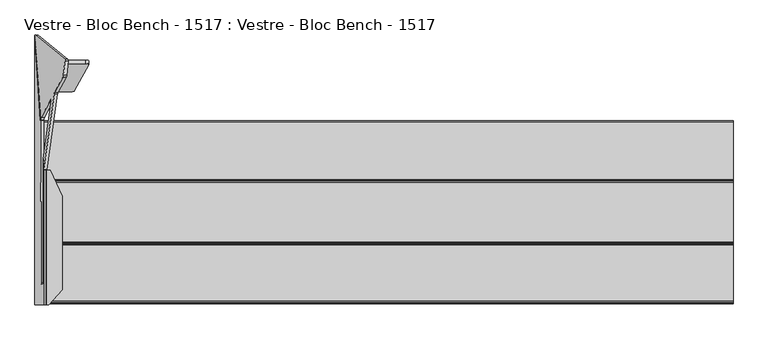
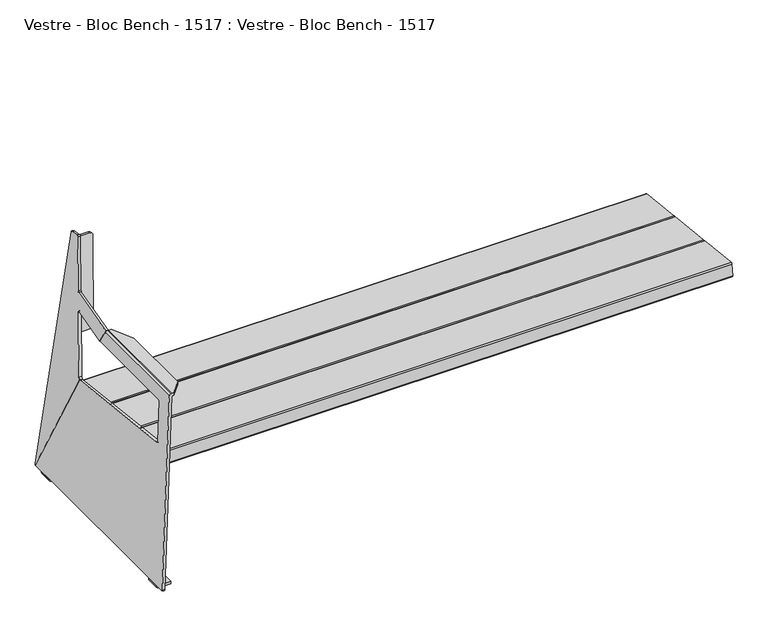
"""IFC4 building model written with IfcOpenShell, lengths in millimetres: furniture geometry, Vestre - Bloc Bench - 1517 : Vestre - Bloc Bench - 1517."""

from ifc_helpers import new_model, si_unit, point, frame, frame_2d, origin, place, context, project, spatial, polyline, circle_curve, ellipse_curve, trimmed, segment, composite_curve, outline, extrude, source, transform, mapped, element, save
from ifc_brep_helpers import plane_surface, cylinder_surface, revolved_surface, advanced_brep


def vestre_bloc_bench_1517_vestre_bloc_bench_1517_f0ae62cd(model_context):
    return source(origin(), model_context, "Body", "SolidModel", [
        extrude(outline(composite_curve([segment(polyline([(123.9432969, 403.4585045), (120.1847471, 369.0041334)]), True, "CONTINUOUS"), segment(trimmed(circle_curve(frame_2d((116.2083371, 369.4379111)), 4.0), [point((120.1847471, 369.0041334))], [point((115.7745594, 365.461501))], False, "CARTESIAN"), True, "CONTINUOUS"), segment(polyline([(115.7745594, 365.461501), (-27.2991975, 381.0690952)]), True, "CONTINUOUS"), segment(trimmed(circle_curve(frame_2d((-26.8654199, 385.0455052)), 4.0), [point((-27.2991975, 381.0690952))], [point((-30.84183, 385.4792828))], False, "CARTESIAN"), True, "CONTINUOUS"), segment(polyline([(-30.84183, 385.4792828), (-27.0830326, 419.9359236)]), True, "CONTINUOUS"), segment(trimmed(circle_curve(frame_2d((-23.1066225, 419.502146)), 4.0), [point((-27.0830326, 419.9359236))], [point((-22.6727818, 423.4785492))], False, "CARTESIAN"), True, "CONTINUOUS"), segment(polyline([(-22.6727818, 423.4785492), (120.4007276, 407.8686854)]), True, "CONTINUOUS"), segment(trimmed(circle_curve(frame_2d((119.9668869, 403.8922822)), 4.0), [point((120.4007276, 407.8686854))], [point((123.9432969, 403.4585045))], False, "CARTESIAN"), True, "CONTINUOUS")], self_intersect=False)), frame((-859.6028254, 0.0, 0.0), z_axis=(1.0, 0.0, 0.0), x_axis=(0.0, 1.0, 0.0)), (0.0, 0.0, 1.0), 1723.0598131),
        extrude(outline(composite_curve([segment(polyline([(-27.0830188, 419.9360498), (-30.8418226, 385.4793507)]), True, "CONTINUOUS"), segment(trimmed(circle_curve(frame_2d((-34.8182326, 385.9131283)), 4.0), [point((-30.8418226, 385.4793507))], [point((-35.2520103, 381.9367182))], False, "CARTESIAN"), True, "CONTINUOUS"), segment(polyline([(-35.2520103, 381.9367182), (-183.3923118, 398.0970103)]), True, "CONTINUOUS"), segment(trimmed(circle_curve(frame_2d((-182.9585341, 402.0734204)), 4.0), [point((-183.3923118, 398.0970103))], [point((-186.9349442, 402.507198))], False, "CARTESIAN"), True, "CONTINUOUS"), segment(polyline([(-186.9349442, 402.507198), (-183.1758841, 436.9662472)]), True, "CONTINUOUS"), segment(trimmed(circle_curve(frame_2d((-179.199474, 436.5324696)), 4.0), [point((-183.1758841, 436.9662472))], [point((-178.7656333, 440.5088728))], False, "CARTESIAN"), True, "CONTINUOUS"), segment(polyline([(-178.7656333, 440.5088728), (-30.6255882, 424.3462306)]), True, "CONTINUOUS"), segment(trimmed(circle_curve(frame_2d((-31.0594289, 420.3698274)), 4.0), [point((-30.6255882, 424.3462306))], [point((-27.0830188, 419.9360498))], False, "CARTESIAN"), True, "CONTINUOUS")], self_intersect=False)), frame((-859.6028254, 0.0, 0.0), z_axis=(1.0, 0.0, 0.0), x_axis=(0.0, 1.0, 0.0)), (0.0, 0.0, 1.0), 1723.0598131),
        extrude(outline(composite_curve([segment(polyline([(-183.1758703, 436.9663734), (-186.9349328, 402.507303)]), True, "CONTINUOUS"), segment(trimmed(circle_curve(frame_2d((-190.9113428, 402.9410807)), 4.0), [point((-186.9349328, 402.507303))], [point((-191.3451204, 398.9646706))], False, "CARTESIAN"), True, "CONTINUOUS"), segment(polyline([(-191.3451204, 398.9646706), (-330.5004458, 414.1448119)]), True, "CONTINUOUS"), segment(trimmed(circle_curve(frame_2d((-330.0666682, 418.1212219)), 4.0), [point((-330.5004458, 414.1448119))], [point((-334.0430783, 418.5549996))], False, "CARTESIAN"), True, "CONTINUOUS"), segment(polyline([(-334.0430783, 418.5549996), (-330.283775, 453.0162774)]), True, "CONTINUOUS"), segment(trimmed(circle_curve(frame_2d((-326.307365, 452.5824998)), 4.0), [point((-330.283775, 453.0162774))], [point((-325.8735242, 456.558903))], False, "CARTESIAN"), True, "CONTINUOUS"), segment(polyline([(-325.8735242, 456.558903), (-186.7184397, 441.3765542)]), True, "CONTINUOUS"), segment(trimmed(circle_curve(frame_2d((-187.1522804, 437.400151)), 4.0), [point((-186.7184397, 441.3765542))], [point((-183.1758703, 436.9663734))], False, "CARTESIAN"), True, "CONTINUOUS")], self_intersect=False)), frame((-859.6028254, 0.0, 0.0), z_axis=(1.0, 0.0, 0.0), x_axis=(0.0, 1.0, 0.0)), (0.0, 0.0, 1.0), 1723.0598131),
        advanced_brep(
        [(-880.8633489, 337.9713039, 14.8944279), (-881.5280215, 336.1005897, 11.2206695), (-867.61676, 124.5422214, 409.5831251), (-867.5760922, 124.8590494, 409.5484177), (-866.2037222, 131.2504543, 413.8911008), (-840.7909312, 178.4134646, 585.5886209), (-840.7791117, 174.5518534, 590.6481205), (-861.2994828, 28.470929, 590.4844823), (-859.5577941, 1.98384, 640.3594265), (-833.1217155, 190.2995977, 640.4138722), (-832.2804167, 194.0587936, 643.2798026), (-811.1014693, 233.3654515, 786.3705641), (-810.120629, 238.2446052, 789.0752934), (-806.2223905, 274.267721, 778.499374), (-806.2060941, 277.1577, 774.9426086), (-872.9871313, 336.8658767, 14.0323223), (-798.3298764, 276.0522727, 774.080503), (-798.3461729, 273.1622937, 777.6372684), (-802.2444113, 237.139178, 788.2131877), (-803.2252516, 232.2600242, 785.5084585), (-824.4041991, 192.9533663, 642.417697), (-825.2454978, 189.1941704, 639.5517665), (-851.6815764, 0.8784127, 639.4973209), (-853.3932206, 26.9085927, 590.4827322), (-832.653384, 174.5518534, 590.6481205), (-832.6652035, 178.4134646, 585.5886209), (-858.0779945, 131.2504543, 413.8911008), (-859.4503645, 124.8590494, 409.5484177), (-859.704087, 122.8823921, 409.7649535), (-873.6518039, 334.9951625, 10.3585639), (-800.2290396, 275.0977695, 757.9536062), (-837.8982285, 205.1850931, 503.4518959), (-838.8596981, 196.4631475, 505.8515241), (-801.1905091, 266.3758239, 760.3532344), (-755.0440225, 275.0158862, 757.8881152), (-747.1427984, 272.5788357, 749.0639533), (-783.301588, 206.9046912, 509.9877088), (-791.2328587, 205.1005271, 503.3842593), (-791.2451915, 196.3768615, 505.7825119), (-783.3139208, 198.1810256, 512.3859614), (-747.1551312, 263.8551701, 751.4622058), (-755.0563553, 266.2922205, 760.2863677)],
        [
            (0, 1, circle_curve(frame((-881.4454916, 334.025159, 14.6358678), z_axis=(-0.9845272064646956, 0.13817840671662618, 0.10776320173453148), x_axis=(-0.10809843818608313, 0.005098251508800457, -0.9941271224009949)), 3.9972244)),
            (1, 2),
            (2, 3),
            (3, 4, ellipse_curve(frame((-866.8370673, 125.5075832, 415.4685906), z_axis=(0.9845272064646956, -0.1381784067166262, -0.10776320173453155), x_axis=(0.1752317885853553, 0.7763454442639396, 0.6054598016712618)), 6.049187, 5.9555892)),
            (4, 5),
            (5, 6, ellipse_curve(frame((-841.2163098, 174.5563342, 586.648123), z_axis=(0.9845272064646956, -0.1381784067166262, -0.10776320173453155), x_axis=(0.1752317885853553, 0.7763454442639396, 0.6054598016712618)), 4.0628639, 4.0)),
            (6, 7),
            (7, 8),
            (8, 9),
            (9, 10, circle_curve(frame((-832.6950066, 190.2385459, 644.3905783), z_axis=(0.9845272064646956, -0.13817840671662618, -0.10776320173453148), x_axis=(-0.10809843818608313, 0.005098251508800457, -0.9941271224009949)), 4.0)),
            (10, 11),
            (11, 12, circle_curve(frame((-810.6868794, 237.1856992, 785.2597883), z_axis=(-0.9845272064646956, 0.13817840671662618, 0.10776320173453148), x_axis=(-0.10809843818608313, 0.005098251508800457, -0.9941271224009949)), 4.0)),
            (12, 13),
            (13, 14, circle_curve(frame((-806.788641, 273.2088149, 774.683869), z_axis=(-0.9845272064646956, 0.13817840671662618, 0.10776320173453148), x_axis=(-0.10809843818608313, 0.005098251508800457, -0.9941271224009949)), 4.0)),
            (14, 0),
            (15, 16),
            (16, 17, circle_curve(frame((-798.9124233, 272.1033877, 773.8217633), z_axis=(0.9845272064646956, -0.13817840671662618, -0.10776320173453148), x_axis=(-0.10809843818608313, 0.005098251508800457, -0.9941271224009949)), 4.0)),
            (17, 18),
            (18, 19, circle_curve(frame((-802.8106618, 236.0802719, 784.3976827), z_axis=(0.9845272064646956, -0.13817840671662618, -0.10776320173453148), x_axis=(-0.10809843818608313, 0.005098251508800457, -0.9941271224009949)), 4.0)),
            (19, 20),
            (20, 21, circle_curve(frame((-824.8187889, 189.1331186, 643.5284727), z_axis=(-0.9845272064646956, 0.13817840671662618, 0.10776320173453148), x_axis=(-0.10809843818608313, 0.005098251508800457, -0.9941271224009949)), 4.0)),
            (21, 22),
            (22, 23),
            (23, 24),
            (24, 25, ellipse_curve(frame((-833.0905821, 174.5563342, 586.648123), z_axis=(-0.9845272064646956, 0.1381784067166262, 0.10776320173453155), x_axis=(0.1752317885853553, 0.7763454442639396, 0.6054598016712618)), 4.0628639, 4.0)),
            (25, 26),
            (26, 27, ellipse_curve(frame((-858.7113396, 125.5075832, 415.4685906), z_axis=(-0.9845272064646956, 0.1381784067166262, 0.10776320173453155), x_axis=(0.1752317885853553, 0.7763454442639396, 0.6054598016712618)), 6.049187, 5.9555892)),
            (27, 28),
            (28, 29),
            (29, 15, circle_curve(frame((-873.5692739, 332.9197317, 13.7737622), z_axis=(0.9845272064646956, -0.13817840671662618, -0.10776320173453148), x_axis=(-0.10809843818608313, 0.005098251508800457, -0.9941271224009949)), 3.9972244)),
            (30, 31),
            (31, 32),
            (32, 33),
            (33, 30),
            (13, 17),
            (16, 14),
            (15, 0),
            (29, 1),
            (28, 2),
            (22, 8),
            (7, 23),
            (34, 35, circle_curve(frame((-755.0590458, 272.8952788, 750.1743095), z_axis=(0.0013631459484884437, 0.9642258427672697, -0.2650786033856214), x_axis=(0.1443145567522505, 0.26211427827888556, 0.9541852093968657)), 8.0)),
            (35, 36),
            (36, 37, circle_curve(frame((-791.2178354, 207.2211344, 511.098065), z_axis=(0.0013631459484884437, 0.9642258427672697, -0.2650786033856214), x_axis=(0.1443145567522505, 0.26211427827888556, 0.9541852093968657)), 8.0)),
            (37, 31),
            (30, 34),
            (38, 39, circle_curve(frame((-791.2301682, 198.4974688, 513.4963176), z_axis=(-0.0013631459484884437, -0.9642258427672697, 0.2650786033856214), x_axis=(0.1443145567522505, 0.26211427827888556, 0.9541852093968657)), 8.0)),
            (39, 40),
            (40, 41, circle_curve(frame((-755.0713786, 264.1716132, 752.572562), z_axis=(-0.0013631459484884437, -0.9642258427672697, 0.2650786033856214), x_axis=(0.1443145567522505, 0.26211427827888556, 0.9541852093968657)), 8.0)),
            (41, 33),
            (32, 38),
            (34, 41),
            (40, 35),
            (39, 36),
            (38, 37),
            (21, 9),
            (20, 10),
            (19, 11),
            (18, 12),
            (5, 25),
            (24, 6),
            (27, 3),
            (26, 4),
        ],
        [
            plane_surface(frame((-881.8775853, 334.0455378, 10.6621186), z_axis=(-0.9845272064646956, 0.1381784067166262, 0.10776320173453155), x_axis=(-0.13791630575299013, -0.9903942324896726, 0.009917502641294942))),
            plane_surface(frame((-874.0013676, 332.9401106, 9.800013), z_axis=(0.9845272064646956, -0.1381784067166262, -0.10776320173453155), x_axis=(0.13791630575299013, 0.9903942324896726, -0.009917502641294942))),
            cylinder_surface(frame((-798.9124233, 272.1033877, 773.8217633), z_axis=(-0.9845272064646956, 0.13817840671662618, 0.10776320173453148), x_axis=(-0.10809843818608313, 0.005098251508800457, -0.9941271224009949)), 4.0),
            plane_surface(frame((-806.2060941, 277.1577, 774.9426086), z_axis=(0.14563671969423853, 0.9872212562883773, 0.06468490557386689), x_axis=(0.9845272064646949, -0.13817840671662657, -0.10776320173453655))),
            cylinder_surface(frame((-873.5692739, 332.9197317, 13.7737622), z_axis=(-0.9845272064646956, 0.13817840671662618, 0.10776320173453148), x_axis=(-0.10809843818608313, 0.005098251508800457, -0.9941271224009949)), 3.9972244),
            plane_surface(frame((-881.5280215, 336.1005897, 11.2206695), z_axis=(-0.17249891043919563, -0.8724250405319159, -0.45729495355861444), x_axis=(0.9845272064646962, -0.1381784067166225, -0.10776320173453138))),
            plane_surface(frame((-753.9045293, 274.9921931, 757.8077911), z_axis=(0.0013631459484884229, 0.9642258427672699, -0.2650786033856216), x_axis=(0.9895309245003537, -0.03955539485439854, -0.13879452509154705))),
            plane_surface(frame((-753.9168621, 266.2685275, 760.2060437), z_axis=(-0.0013631459484884229, -0.9642258427672699, 0.2650786033856216), x_axis=(-0.9895309245003537, 0.03955539485439854, 0.13879452509154705))),
            cylinder_surface(frame((-755.0713786, 264.1716132, 752.572562), z_axis=(0.0013631459484884437, 0.9642258427672697, -0.2650786033856214), x_axis=(0.1443145567522505, 0.26211427827888556, 0.9541852093968657)), 8.0),
            plane_surface(frame((-747.1427984, 272.5788357, 749.0639533), z_axis=(0.9895309245003534, -0.039555394854398324, -0.13879452509154833), x_axis=(-0.001363145948487987, -0.9642258427672699, 0.2650786033856207))),
            cylinder_surface(frame((-791.2301682, 198.4974688, 513.4963176), z_axis=(0.0013631459484884437, 0.9642258427672697, -0.2650786033856214), x_axis=(0.1443145567522505, 0.26211427827888556, 0.9541852093968657)), 8.0),
            plane_surface(frame((-791.2328587, 205.1005271, 503.3842593), z_axis=(-0.0018779099002757267, -0.2650759139656631, -0.9642257169821155), x_axis=(-0.001363145948487987, -0.9642258427672699, 0.2650786033856207))),
            plane_surface(frame((-803.1542615, 275.1030705, 757.957846), z_axis=(0.0018779099002687964, 0.2650759139656631, 0.9642257169821156), x_axis=(-0.001363145948487987, -0.9642258427672699, 0.2650786033856207))),
            plane_surface(frame((-859.5577941, 1.98384, 640.3594265), z_axis=(0.10667723092490322, -0.015262962519211895, 0.9941765488972932), x_axis=(0.9845272064646956, -0.13817840671662243, -0.10776320173453661))),
            revolved_surface(polyline([(-825.251182622492, 189.15351160178926, 639.5519642070847), (-833.1274003560839, 190.25893886701334, 640.4140698299226)]), (-824.8187889, 189.1331186, 643.5284727), (0.9845272064646956, -0.13817840671662618, -0.10776320173453148)),
            plane_surface(frame((-832.2804167, 194.0587936, 643.2798026), z_axis=(-0.10364746347884374, -0.955061925655032, 0.2776939348968645), x_axis=(0.9845272064646949, -0.13817840671662657, -0.10776320173453655))),
            cylinder_surface(frame((-802.8106618, 236.0802719, 784.3976827), z_axis=(-0.9845272064646956, 0.13817840671662618, 0.10776320173453148), x_axis=(-0.10809843818608313, 0.005098251508800457, -0.9941271224009949)), 4.0),
            plane_surface(frame((-810.120629, 238.2446052, 789.0752934), z_axis=(0.14156261468824688, 0.26472650457534325, 0.9538762518785904), x_axis=(0.9845272064646956, -0.13817840671662243, -0.10776320173453661))),
            revolved_surface(polyline([(-832.3786391920241, 170.5563342, 586.648123), (-841.9282527079758, 170.5563342, 586.648123)]), (-919.9232064, 174.5563342, 586.648123), (1.0, 0.0, 0.0)),
            plane_surface(frame((-812.6404131, 174.5518534, 590.6481205), z_axis=(0.0, 0.0011201877232388624, -0.9999993725895355), x_axis=(-1.0, 0.0, 0.0))),
            plane_surface(frame((-812.6404131, -281.1025506, 454.0200604), z_axis=(0.0, 0.10889498268372885, 0.9940532595119391), x_axis=(-1.0, 0.0, 0.0))),
            revolved_surface(polyline([(-857.6513297425026, 119.551994, 415.4685906), (-867.8970771574973, 119.551994, 415.4685906)]), (-919.9232064, 125.5075832, 415.4685906), (1.0, 0.0, 0.0)),
            plane_surface(frame((-812.6404131, 131.2504543, 413.8911008), z_axis=(0.0, -0.9642826121585462, 0.2648755252730816), x_axis=(-1.0, 0.0, 0.0))),
        ],
        [
            (0, [[1, 2, 3, 4, 5, 6, 7, 8, 9, 10, 11, 12, 13, 14, 15]]),
            (1, [[16, 17, 18, 19, 20, 21, 22, 23, 24, 25, 26, 27, 28, 29, 30], [31, 32, 33, 34]]),
            (2, [[-14, 35, -17, 36]]),
            (3, [[-15, -36, -16, 37]]),
            (4, [[-1, -37, -30, 38]]),
            (5, [[-38, -29, 39, -2]]),
            (5, [[40, -8, 41, -23]]),
            (6, [[42, 43, 44, 45, -31, 46]]),
            (7, [[47, 48, 49, 50, -33, 51]]),
            (8, [[-42, 52, -49, 53]]),
            (9, [[-43, -53, -48, 54]]),
            (10, [[-44, -54, -47, 55]]),
            (11, [[-55, -51, -32, -45]]),
            (12, [[-52, -46, -34, -50]]),
            (13, [[-9, -40, -22, 56]]),
            (14, [[-10, -56, -21, 57]]),
            (15, [[-11, -57, -20, 58]]),
            (16, [[-12, -58, -19, 59]]),
            (17, [[-13, -59, -18, -35]]),
            (18, [[60, -25, 61, -6]]),
            (19, [[-61, -24, -41, -7]]),
            (20, [[62, -3, -39, -28]]),
            (21, [[-62, -27, 63, -4]]),
            (22, [[-60, -5, -63, -26]]),
        ],
    ),
        advanced_brep(
        [(-881.4138659, 336.0793859, 11.3539925), (-881.4516113, 333.3438949, 10.2731042), (-881.4516113, 303.3438949, 10.2731042), (-881.4516113, 263.3438949, 10.2731042), (-881.4516113, -263.3438949, 10.2731042), (-881.4516113, -303.3438949, 10.2731042), (-881.4516113, -332.3224978, 10.2731042), (-881.3120133, -336.3224978, 14.2706676), (-859.6494877, -336.3224978, 634.6042367), (-859.6494877, 0.0, 634.6042367), (-859.8164077, 0.0, 629.8242748), (-859.8164077, 7.626776, 629.8242748), (-861.1901816, 28.5190326, 590.4845362), (-861.2022765, -280.671368, 590.1381847), (-861.3419594, -284.6668873, 586.1381898), (-865.8167736, -284.6669706, 457.9962761), (-865.9556261, -281.1025506, 454.0200604), (-867.5075955, 124.5938136, 409.5774734), (-873.3168867, -336.3224978, 13.9914716), (-873.4564847, -332.3224978, 9.9939083), (-873.4564847, -303.3438949, 9.9939083), (-873.4886988, -303.3438949, 9.0714168), (-873.4886988, -263.3438949, 9.0714168), (-873.4564847, -263.3438949, 9.9939083), (-873.4564847, 263.3438949, 9.9939083), (-873.4886988, 263.3438949, 9.0714168), (-873.4886988, 303.3438949, 9.0714168), (-873.4564847, 303.3438949, 9.9939083), (-873.4564847, 333.3438949, 9.9939083), (-873.4187392, 336.0793859, 11.0747965), (-859.5021169, 124.4363813, 409.5947195), (-857.9507498, -281.1025506, 454.0200604), (-857.8118973, -284.6669706, 457.9962761), (-853.337083, -284.6668873, 586.1381898), (-853.1974001, -280.671368, 590.1381847), (-853.1853111, 28.3708474, 590.4843702), (-851.8212811, 7.626776, 629.5450788), (-851.8212811, 0.0, 629.5450788), (-851.7778593, 0.0, 630.7885173), (-851.7778593, -336.3224978, 630.7885173), (-850.2766357, -336.3224978, 632.2382321), (-846.5946295, -336.3224978, 632.2382321), (-846.5946295, -336.3224978, 640.3596516), (-851.4436279, -336.3224978, 640.3596516), (-853.6895812, -336.3224978, 640.3596516), (-872.4540437, -303.3438949, 8.0), (-881.4516113, -303.3438949, 8.2703475), (-873.5140122, -303.3438949, 0.0), (-835.810356, -303.3438949, 0.0), (-835.810356, -303.3438949, 8.0), (-872.4540437, -263.3438949, 8.0), (-835.810356, -263.3438949, 8.0), (-835.810356, -263.3438949, 0.0), (-873.5140122, -263.3438949, 0.0), (-881.4516113, -263.3438949, 8.2703475), (-872.4540437, 303.3438949, 8.0), (-835.810356, 303.3438949, 8.0), (-835.810356, 303.3438949, 0.0), (-873.5140122, 303.3438949, 0.0), (-881.4516113, 303.3438949, 8.2703475), (-872.4540437, 263.3438949, 8.0), (-881.4516113, 263.3438949, 8.2703475), (-873.5140122, 263.3438949, 0.0), (-835.810356, 263.3438949, 0.0), (-835.810356, 263.3438949, 8.0), (-853.6895812, 0.0, 640.3596516), (-851.4436279, 0.0, 640.3596516), (-842.6377771, 0.0, 640.3596516), (-842.6377771, 0.0, 632.2382321), (-850.2766357, 0.0, 632.2382321), (-812.6404131, -64.9029098, 632.2382321), (-812.6404131, -298.6125202, 632.2382321), (-812.6404131, -64.9029098, 640.3596516), (-812.6404131, -298.6125202, 640.3596516)],
        [
            (0, 1, circle_curve(frame((-881.3120088, 333.3438949, 14.2707962), z_axis=(-0.9993908270190959, 0.0, 0.0348994967025008), x_axis=(-0.0348994967025008, 0.0, -0.9993908270190959)), 4.0001287)),
            (1, 2),
            (2, 3),
            (3, 4),
            (4, 5),
            (5, 6),
            (6, 7, circle_curve(frame((-881.3120133, -332.3224978, 14.2706676), z_axis=(-0.9993908270190959, 0.0, 0.0348994967025008), x_axis=(-0.0348994967025008, 0.0, -0.9993908270190959)), 4.0)),
            (7, 8),
            (8, 9),
            (9, 10),
            (10, 11),
            (11, 12),
            (12, 13),
            (13, 14, ellipse_curve(frame((-861.3419595, -280.6668873, 586.1381872), z_axis=(0.9993908270190959, 0.0, -0.0348994967025008), x_axis=(0.03489949670249232, 0.0, 0.9993908270190961)), 4.0024382, 4.0)),
            (14, 15),
            (15, 16, ellipse_curve(frame((-865.8167737, -280.6669706, 457.9962735), z_axis=(0.9993908270190959, 0.0, -0.0348994967025008), x_axis=(0.03489949670249232, 0.0, 0.9993908270190961)), 4.0024382, 4.0)),
            (16, 17),
            (17, 0),
            (18, 19, circle_curve(frame((-873.3168867, -332.3224978, 13.9914716), z_axis=(0.9993908270190959, 0.0, -0.0348994967025008), x_axis=(-0.0348994967025008, 0.0, -0.9993908270190959)), 4.0)),
            (19, 20),
            (20, 21),
            (21, 22),
            (22, 23),
            (23, 24),
            (24, 25),
            (25, 26),
            (26, 27),
            (27, 28),
            (28, 29, circle_curve(frame((-873.3168822, 333.3438949, 13.9916002), z_axis=(0.9993908270190959, 0.0, -0.0348994967025008), x_axis=(-0.0348994967025008, 0.0, -0.9993908270190959)), 4.0001287)),
            (29, 30),
            (30, 31),
            (31, 32, ellipse_curve(frame((-857.8118974, -280.6669706, 457.9962735), z_axis=(-0.9993908270190959, 0.0, 0.0348994967025008), x_axis=(0.03489949670249232, 0.0, 0.9993908270190961)), 4.0024382, 4.0)),
            (32, 33),
            (33, 34, ellipse_curve(frame((-853.3370831, -280.6668873, 586.1381872), z_axis=(-0.9993908270190959, 0.0, 0.0348994967025008), x_axis=(0.03489949670249232, 0.0, 0.9993908270190961)), 4.0024382, 4.0)),
            (34, 35),
            (35, 36),
            (36, 37),
            (37, 38),
            (38, 39),
            (39, 18),
            (29, 0),
            (17, 30),
            (11, 36),
            (35, 12),
            (28, 1),
            (27, 2),
            (19, 6),
            (5, 20),
            (23, 4),
            (3, 24),
            (18, 7),
            (39, 40, circle_curve(frame((-850.2766357, -336.3224978, 630.7360934), z_axis=(0.0, 1.0, 0.0), x_axis=(1.0, 0.0, 0.0)), 1.5021387)),
            (40, 41),
            (41, 42),
            (42, 43),
            (43, 44),
            (44, 8, circle_curve(frame((-853.6895812, -336.3224978, 634.3961122), z_axis=(0.0, -1.0, 0.0), x_axis=(1.0, 0.0, 0.0)), 5.9635394)),
            (45, 21, circle_curve(frame((-872.4540437, -303.3438949, 9.0352858), z_axis=(0.0, 1.0, 0.0), x_axis=(1.0, 0.0, 0.0)), 1.0352858)),
            (5, 46),
            (46, 47, circle_curve(frame((-873.1742893, -303.3438949, 8.2703475), z_axis=(0.0, -1.0, 0.0), x_axis=(1.0, 0.0, 0.0)), 8.277322)),
            (47, 48),
            (48, 49),
            (49, 45),
            (50, 51),
            (51, 52),
            (52, 53),
            (53, 54, circle_curve(frame((-873.1742893, -263.3438949, 8.2703475), z_axis=(0.0, 1.0, 0.0), x_axis=(1.0, 0.0, 0.0)), 8.277322)),
            (54, 4),
            (22, 50, circle_curve(frame((-872.4540437, -263.3438949, 9.0352858), z_axis=(0.0, -1.0, 0.0), x_axis=(1.0, 0.0, 0.0)), 1.0352858)),
            (45, 50),
            (47, 53),
            (52, 48),
            (51, 49),
            (54, 46),
            (55, 56),
            (56, 57),
            (57, 58),
            (58, 59, circle_curve(frame((-873.1742893, 303.3438949, 8.2703475), z_axis=(0.0, 1.0, 0.0), x_axis=(1.0, 0.0, 0.0)), 8.277322)),
            (59, 2),
            (26, 55, circle_curve(frame((-872.4540437, 303.3438949, 9.0352858), z_axis=(0.0, -1.0, 0.0), x_axis=(1.0, 0.0, 0.0)), 1.0352858)),
            (60, 25, circle_curve(frame((-872.4540437, 263.3438949, 9.0352858), z_axis=(0.0, 1.0, 0.0), x_axis=(1.0, 0.0, 0.0)), 1.0352858)),
            (3, 61),
            (61, 62, circle_curve(frame((-873.1742893, 263.3438949, 8.2703475), z_axis=(0.0, -1.0, 0.0), x_axis=(1.0, 0.0, 0.0)), 8.277322)),
            (62, 63),
            (63, 64),
            (64, 60),
            (60, 55),
            (57, 63),
            (62, 58),
            (56, 64),
            (59, 61),
            (10, 37),
            (34, 13),
            (33, 14),
            (32, 15),
            (31, 16),
            (9, 65, circle_curve(frame((-853.6895812, 0.0, 634.3961122), z_axis=(0.0, 1.0, 0.0), x_axis=(1.0, 0.0, 0.0)), 5.9635394)),
            (65, 66),
            (66, 67),
            (67, 68),
            (68, 69),
            (69, 38, circle_curve(frame((-850.2766357, 0.0, 630.7360934), z_axis=(0.0, -1.0, 0.0), x_axis=(1.0, 0.0, 0.0)), 1.5021387)),
            (40, 69),
            (68, 70),
            (70, 71),
            (71, 41),
            (70, 72),
            (72, 73),
            (73, 71),
            (66, 43),
            (42, 73),
            (72, 67),
            (65, 44),
        ],
        [
            plane_surface(frame((-859.8164077, 7.626776, 629.8242748), z_axis=(-0.9993908270190959, 0.0, 0.0348994967025008), x_axis=(0.0, 1.0, 0.0))),
            plane_surface(frame((-851.8212811, 7.626776, 629.5450788), z_axis=(0.9993908270190959, 0.0, -0.0348994967025008), x_axis=(0.0, -1.0, 0.0))),
            plane_surface(frame((-859.8164077, 7.626776, 629.8242748), z_axis=(0.016361236819831454, 0.883298976901068, 0.46852452159439006), x_axis=(0.9993908270190955, 0.0, -0.034899496702506035))),
            cylinder_surface(frame((-873.3168822, 333.3438949, 13.9916002), z_axis=(-0.9993908270190959, 0.0, 0.0348994967025008), x_axis=(-0.0348994967025008, 0.0, -0.9993908270190959)), 4.0001287),
            plane_surface(frame((-881.4516113, 333.3438949, 10.2731042), z_axis=(-0.03489949670248914, 0.0, -0.9993908270190962), x_axis=(0.9993908270190962, 0.0, -0.03489949670248914))),
            cylinder_surface(frame((-873.3168867, -332.3224978, 13.9914716), z_axis=(-0.9993908270190959, 0.0, 0.0348994967025008), x_axis=(-0.0348994967025008, 0.0, -0.9993908270190959)), 4.0),
            plane_surface(frame((-881.3120133, -336.3224978, 14.2706676), z_axis=(0.0, -1.0, 0.0), x_axis=(0.9993908270190955, 0.0, -0.034899496702506035))),
            plane_surface(frame((-871.4187578, -303.3438949, 9.0352858), z_axis=(0.0, -1.0, 0.0), x_axis=(0.0, 0.0, -1.0))),
            plane_surface(frame((-871.4187578, -263.3438949, 9.0352858), z_axis=(0.0, 1.0, 0.0), x_axis=(0.0, 0.0, 1.0))),
            revolved_surface(polyline([(-871.4187579000001, -263.3438949, 9.0352858), (-871.4187579000001, -303.3438949, 9.0352858)]), (-872.4540437, -263.3438949, 9.0352858), (0.0, 1.0, 0.0)),
            plane_surface(frame((-873.5140122, -303.3438949, 0.0), z_axis=(0.0, 0.0, -1.0), x_axis=(0.0, 1.0, 0.0))),
            plane_surface(frame((-835.810356, -303.3438949, 0.0), z_axis=(1.0, 0.0, 0.0), x_axis=(0.0, 1.0, 0.0))),
            plane_surface(frame((-835.810356, -303.3438949, 8.0), z_axis=(0.0, 0.0, 1.0), x_axis=(0.0, 1.0, 0.0))),
            plane_surface(frame((-881.4516113, -303.3438949, 10.2731042), z_axis=(-1.0, 0.0, 0.0), x_axis=(0.0, 1.0, 0.0))),
            cylinder_surface(frame((-873.1742893, -263.3438949, 8.2703475), z_axis=(0.0, -1.0, 0.0), x_axis=(1.0, 0.0, 0.0)), 8.277322),
            plane_surface(frame((-835.810356, 303.3438949, 8.0), z_axis=(0.0, 1.0, 0.0), x_axis=(1.0, 0.0, 0.0))),
            plane_surface(frame((-835.810356, 263.3438949, 8.0), z_axis=(0.0, -1.0, 0.0), x_axis=(-1.0, 0.0, 0.0))),
            revolved_surface(polyline([(-871.4187579000001, 263.3438949, 9.0352858), (-871.4187579000001, 303.3438949, 9.0352858)]), (-872.4540437, 263.3438949, 9.0352858), (0.0, -1.0, 0.0)),
            plane_surface(frame((-835.810356, 303.3438949, 0.0), z_axis=(0.0, 0.0, -1.0), x_axis=(0.0, -1.0, 0.0))),
            plane_surface(frame((-835.810356, 303.3438949, 8.0), z_axis=(1.0, 0.0, 0.0), x_axis=(0.0, -1.0, 0.0))),
            plane_surface(frame((-872.4540437, 303.3438949, 8.0), z_axis=(0.0, 0.0, 1.0), x_axis=(0.0, -1.0, 0.0))),
            plane_surface(frame((-881.4516113, 303.3438949, 8.2703475), z_axis=(-1.0, 0.0, 0.0), x_axis=(0.0, -1.0, 0.0))),
            cylinder_surface(frame((-873.1742893, 263.3438949, 8.2703475), z_axis=(0.0, 1.0, 0.0), x_axis=(1.0, 0.0, 0.0)), 8.277322),
            plane_surface(frame((-859.8164077, -336.3224978, 629.8242748), z_axis=(0.034899496702506035, 0.0, 0.9993908270190955), x_axis=(0.9993908270190955, 0.0, -0.034899496702506035))),
            plane_surface(frame((-812.6404131, 174.5518534, 590.6481205), z_axis=(0.0, 0.0011201877232388624, -0.9999993725895355), x_axis=(-1.0, 0.0, 0.0))),
            revolved_surface(polyline([(-853.1974000212372, -284.6668873, 586.1381872), (-861.4816425787628, -284.6668873, 586.1381872)]), (-919.9232064, -280.6668873, 586.1381872), (1.0, 0.0, 0.0)),
            plane_surface(frame((-812.6404131, -284.6668873, 586.1381898), z_axis=(0.0, 0.9999999999997885, -6.504329964730784e-07), x_axis=(-1.0, 0.0, 0.0))),
            revolved_surface(polyline([(-857.6722143212372, -284.6669706, 457.9962735), (-865.9564567787628, -284.6669706, 457.9962735)]), (-919.9232064, -280.6669706, 457.9962735), (1.0, 0.0, 0.0)),
            plane_surface(frame((-812.6404131, -281.1025506, 454.0200604), z_axis=(0.0, 0.10889498268372885, 0.9940532595119391), x_axis=(-1.0, 0.0, 0.0))),
            plane_surface(frame((-859.8862566, 0.0, 627.8240627), z_axis=(0.0, 1.0, 0.0), x_axis=(0.03489949670249125, 0.0, 0.9993908270190961))),
            plane_surface(frame((-850.2766357, -336.3224978, 632.2382321), z_axis=(0.0, 0.0, -1.0), x_axis=(0.0, 1.0, 0.0))),
            plane_surface(frame((-812.6404131, -336.3224978, 632.2382321), z_axis=(1.0, 0.0, 0.0), x_axis=(0.0, 1.0, 0.0))),
            plane_surface(frame((-812.6404131, -336.3224978, 640.3596516), z_axis=(0.0, 0.0, 1.0), x_axis=(0.0, 1.0, 0.0))),
            plane_surface(frame((-851.4436279, -336.3224978, 640.3596516), z_axis=(0.0, 0.0, 1.0), x_axis=(0.0, 1.0, 0.0))),
            cylinder_surface(frame((-853.6895812, 0.0, 634.3961122), z_axis=(0.0, -1.0, 0.0), x_axis=(1.0, 0.0, 0.0)), 5.9635394),
            revolved_surface(polyline([(-848.774497, 0.0, 630.7360934), (-848.774497, -336.3224978, 630.7360934)]), (-850.2766357, 0.0, 630.7360934), (0.0, 1.0, 0.0)),
            plane_surface(frame((-812.6418555, -64.8997891, 616.5713791), z_axis=(0.9077348201474655, 0.419544391324504, 0.0), x_axis=(0.0, 0.0, 1.0))),
            plane_surface(frame((-846.5946295, -336.3224978, 616.5713791), z_axis=(0.7431448254773958, -0.6691306063588565, 0.0), x_axis=(0.0, 0.0, 1.0))),
        ],
        [
            (0, [[1, 2, 3, 4, 5, 6, 7, 8, 9, 10, 11, 12, 13, 14, 15, 16, 17, 18]]),
            (1, [[19, 20, 21, 22, 23, 24, 25, 26, 27, 28, 29, 30, 31, 32, 33, 34, 35, 36, 37, 38, 39, 40]]),
            (2, [[41, -18, 42, -30]]),
            (2, [[43, -36, 44, -12]]),
            (3, [[-1, -41, -29, 45]]),
            (4, [[-45, -28, 46, -2]]),
            (4, [[47, -6, 48, -20]]),
            (4, [[49, -4, 50, -24]]),
            (5, [[-7, -47, -19, 51]]),
            (6, [[-51, -40, 52, 53, 54, 55, 56, 57, -8]]),
            (7, [[58, -21, -48, 59, 60, 61, 62, 63]]),
            (8, [[64, 65, 66, 67, 68, -49, -23, 69]]),
            (9, [[-58, 70, -69, -22]]),
            (10, [[-61, 71, -66, 72]]),
            (11, [[-62, -72, -65, 73]]),
            (12, [[-63, -73, -64, -70]]),
            (13, [[-59, -5, -68, 74]]),
            (14, [[-60, -74, -67, -71]]),
            (15, [[75, 76, 77, 78, 79, -46, -27, 80]]),
            (16, [[81, -25, -50, 82, 83, 84, 85, 86]]),
            (17, [[-80, -26, -81, 87]]),
            (18, [[-77, 88, -84, 89]]),
            (19, [[-76, 90, -85, -88]]),
            (20, [[-75, -87, -86, -90]]),
            (21, [[-79, 91, -82, -3]]),
            (22, [[-78, -89, -83, -91]]),
            (23, [[-43, -11, 92, -37]]),
            (24, [[93, -13, -44, -35]]),
            (25, [[-93, -34, 94, -14]]),
            (26, [[-94, -33, 95, -15]]),
            (27, [[-95, -32, 96, -16]]),
            (28, [[-96, -31, -42, -17]]),
            (29, [[97, 98, 99, 100, 101, 102, -38, -92, -10]]),
            (30, [[103, -101, 104, 105, 106, -53]]),
            (31, [[-105, 107, 108, 109]]),
            (32, [[110, -55, 111, -108, 112, -99]]),
            (33, [[-56, -110, -98, 113]]),
            (34, [[-57, -113, -97, -9]]),
            (35, [[-52, -39, -102, -103]]),
            (36, [[-100, -112, -107, -104]]),
            (37, [[-54, -106, -109, -111]]),
        ],
    ),
    ])


if __name__ == "__main__":
    model = new_model("IFC4")
    model_context = context("Model", 3, world=origin())
    ifc_project = project(units=[si_unit("LENGTHUNIT", "METRE", prefix="MILLI")], contexts=[model_context])
    site = spatial("IfcSite", under=ifc_project)
    building = spatial("IfcBuilding", under=site)
    placement = place(None, origin())
    vestre_bloc_bench_1517_vestre_bloc_bench_1517_shape = vestre_bloc_bench_1517_vestre_bloc_bench_1517_f0ae62cd(model_context)
    element("IfcFurniture", 1, ObjectType="Vestre - Bloc Bench - 1517 : Vestre - Bloc Bench - 1517", at=placement, inside=building, context=model_context, shape_type="MappedRepresentation", body=[
        mapped(vestre_bloc_bench_1517_vestre_bloc_bench_1517_shape, transform((0.0, 0.0, 0.0), x_axis=(1.0, 0.0, 0.0), y_axis=(0.0, 1.0, 0.0), z_axis=(0.0, 0.0, 1.0))),
    ])
    save(model, "model.ifc")
